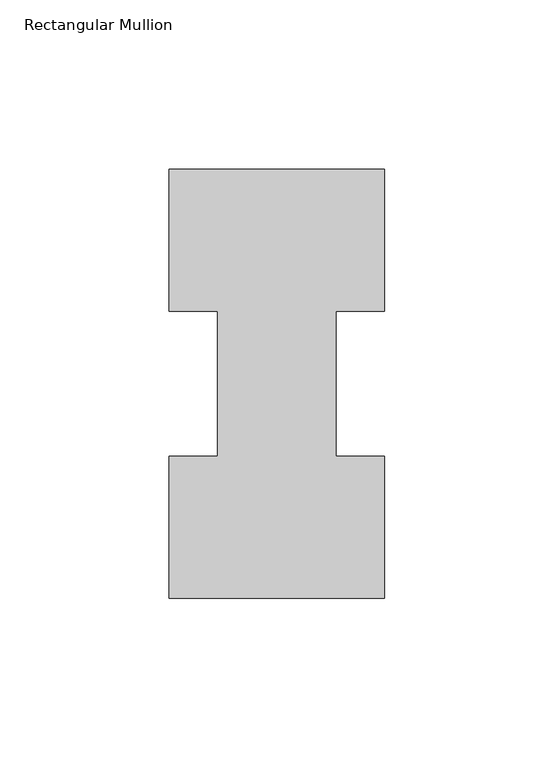
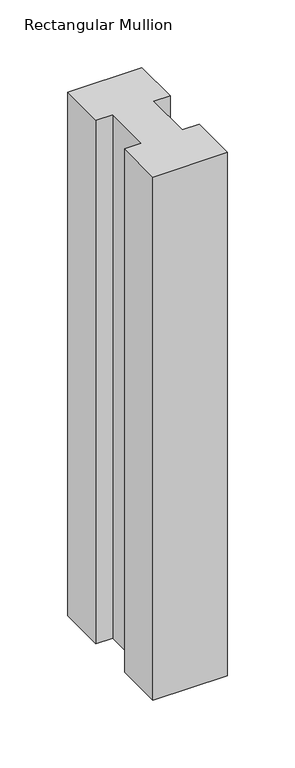
"""IFC4 building model written with IfcOpenShell, lengths in millimetres: member geometry, Rectangular Mullion."""

from ifc_helpers import new_model, si_unit, frame, origin, place, context, project, spatial, polyline, outline, extrude, source, transform, mapped, element, save


def rectangular_mullion_ec6a44f1(model_context):
    return source(origin(), model_context, "Body", "SweptSolid", [
        extrude(outline(polyline([(-63.5, 0.2967757), (-63.5, 42.1178757), (-49.2125, 42.1178757), (-49.2125, 84.93125), (-63.5, 84.93125), (-63.5, 126.7887757), (0.0, 126.7887757), (0.0, 84.93125), (-14.2748, 84.93125), (-14.2748, 42.1178757), (0.0, 42.1178757), (0.0, 0.2967757), (-63.5, 0.2967757)])), frame((0.0, 0.0, -473.075), z_axis=(0.0, 0.0, 1.0), x_axis=(1.0, 0.0, 0.0)), (0.0, 0.0, 1.0), 473.075),
    ])


if __name__ == "__main__":
    model = new_model("IFC4")
    model_context = context("Model", 3, world=origin())
    ifc_project = project(units=[si_unit("LENGTHUNIT", "METRE", prefix="MILLI")], contexts=[model_context])
    site = spatial("IfcSite", under=ifc_project)
    building = spatial("IfcBuilding", under=site)
    placement = place(None, origin())
    rectangular_mullion_shape = rectangular_mullion_ec6a44f1(model_context)
    element("IfcMember", 1, ObjectType="Rectangular Mullion", at=placement, inside=building, context=model_context, shape_type="MappedRepresentation", body=[
        mapped(rectangular_mullion_shape, transform((0.0, 0.0, 0.0), x_axis=(1.0, 0.0, 0.0), y_axis=(0.0, 1.0, 0.0), z_axis=(0.0, 0.0, 1.0))),
    ])
    save(model, "model.ifc")
